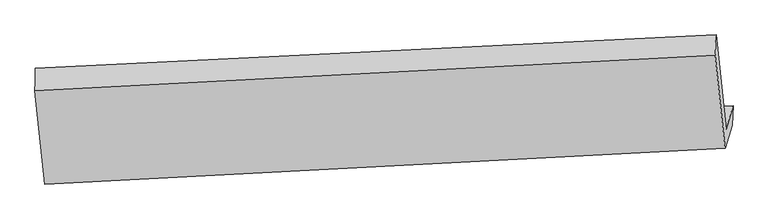
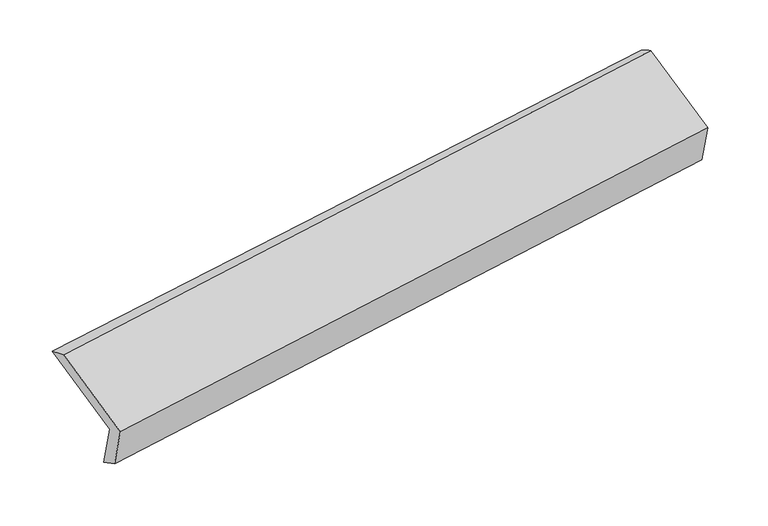
"""IFC4 building model written with IfcOpenShell, lengths in millimetres: proxy geometry."""

from ifc_helpers import new_model, si_unit, frame, origin, place, context, project, spatial, source, transform, mapped, element, save
from ifc_brep_helpers import plane_surface, spline_surface, advanced_brep


def generic_models_091cf760(model_context):
    return source(origin(), model_context, "Body", "AdvancedBrep", [
        advanced_brep(
        [(-5030.7221315, -1646.1744404, 1233.7085341), (-5077.229252, -1803.81272, 1601.291811), (-626.5036168, -1585.8596723, 2246.9186716), (-581.151511, -1432.1363743, 1888.4644067), (-5035.7584432, -1792.160065, 1314.083482), (-588.1504675, -1559.7409288, 1976.4737697), (-5080.5839231, -1944.0983374, 1668.3753979), (-632.9759474, -1711.6792013, 2330.7656856), (-5145.7016172, -1334.2412309, 1921.6741589), (-698.0936415, -1101.8220948, 2584.0644466), (-5143.0431231, -1187.4355964, 1857.2986034), (-692.3174879, -969.4825487, 2502.9254641)],
        [
            (0, 1),
            (1, 2),
            (2, 3),
            (3, 0),
            (4, 0),
            (3, 5),
            (5, 4),
            (6, 4),
            (5, 7),
            (7, 6),
            (8, 6),
            (7, 9),
            (9, 8),
            (10, 8),
            (9, 11),
            (11, 10),
            (1, 10),
            (11, 2),
        ],
        [
            plane_surface(frame((-5053.9756918, -1724.9935802, 1417.5001725), z_axis=(-0.10032729311528066, 0.9189501874521919, 0.3813987247458258), x_axis=(-0.1155014627992329, -0.3914981558235634, 0.912901202802355))),
            spline_surface(1, 1, [[(-5035.7584432, -1792.160065, 1314.083482), (-588.1504675, -1559.7409288, 1976.4737697)], [(-5030.7221315, -1646.1744404, 1233.7085341), (-581.151511, -1432.1363743, 1888.4644067)]], [2, 2], [2, 2], [0.0, 1.0], [0.0, 1.0]),
            plane_surface(frame((-5058.1711831, -1868.1292012, 1491.22944), z_axis=(0.10471581534741498, -0.918729973084591, -0.38074904408561916), x_axis=(0.1155014627992331, 0.39149815582356334, -0.9129012028023549))),
            plane_surface(frame((-5113.1427702, -1639.1697842, 1795.0247784), z_axis=(-0.11550146279923239, -0.39149815582356423, 0.9129012028023548), x_axis=(0.09813224098737187, -0.919053497905537, -0.3817207503743981))),
            spline_surface(1, 1, [[(-5143.0431231, -1187.4355964, 1857.2986034), (-692.3174879, -969.4825487, 2502.9254641)], [(-5145.7016172, -1334.2412309, 1921.6741589), (-698.0936415, -1101.8220948, 2584.0644466)]], [2, 2], [2, 2], [0.0, 1.0], [0.0, 1.0]),
            plane_surface(frame((-5110.1361875, -1495.6241582, 1729.2952072), z_axis=(0.11330588378359092, 0.3913961464871703, -0.9132200354870741), x_axis=(-0.09813224098737047, 0.9190534979055436, 0.3817207503743824))),
            plane_surface(frame((-636.532112, -1393.45347, 2254.9354074), z_axis=(0.98844801348884, 0.04549573578199844, 0.14457061477223104), x_axis=(0.09813224098737187, -0.919053497905537, -0.3817207503743981))),
            plane_surface(frame((-5085.506415, -1617.987065, 1599.4053312), z_axis=(-0.9884480134888409, -0.04549573578198925, -0.1445706147722274), x_axis=(0.11550146279923328, 0.3914981558235635, -0.9129012028023549))),
        ],
        [
            (0, [[1, 2, 3, 4]]),
            (1, [[5, -4, 6, 7]]),
            (2, [[8, -7, 9, 10]]),
            (3, [[11, -10, 12, 13]]),
            (4, [[14, -13, 15, 16]]),
            (5, [[17, -16, 18, -2]]),
            (6, [[-12, -9, -6, -3, -18, -15]]),
            (7, [[-1, -5, -8, -11, -14, -17]]),
        ],
    ),
    ])


if __name__ == "__main__":
    model = new_model("IFC4")
    model_context = context("Model", 3, world=origin())
    ifc_project = project(units=[si_unit("LENGTHUNIT", "METRE", prefix="MILLI")], contexts=[model_context])
    site = spatial("IfcSite", under=ifc_project)
    building = spatial("IfcBuilding", under=site)
    placement = place(None, origin())
    generic_models_shape = generic_models_091cf760(model_context)
    element("IfcBuildingElementProxy", 1, Name="Generic Models", at=placement, inside=building, context=model_context, shape_type="MappedRepresentation", body=[
        mapped(generic_models_shape, transform((0.0, 0.0, 0.0), x_axis=(1.0, 0.0, 0.0), y_axis=(0.0, 1.0, 0.0), z_axis=(0.0, 0.0, 1.0))),
    ])
    save(model, "model.ifc")
